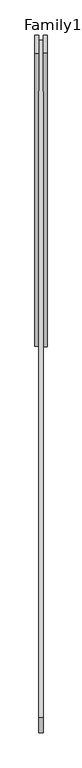
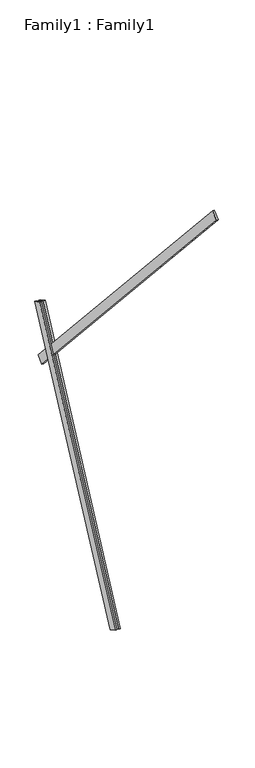
"""IFC4 building model written with IfcOpenShell, lengths in millimetres: proxy geometry, Family1 : Family1."""

from ifc_helpers import new_model, si_unit, frame, origin, place, context, project, spatial, polyline, outline, extrude, source, transform, mapped, element, save


def family1_family1_2a446086(model_context):
    return source(origin(), model_context, "Body", "SweptSolid", [
        extrude(outline(polyline([(0.0, 0.0), (0.0, -20.0), (-100.0000001, -20.0), (-100.0000001, 0.0), (0.0, 0.0)])), frame((-30.0, 46.3241747, -22.5938096), z_axis=(0.0, 0.4383711467890692, 0.8987940462991711), x_axis=(0.0, 0.8987940462991711, -0.4383711467890692)), (0.0, 0.0, 1.0), 3300.0),
        extrude(outline(polyline([(0.0, 0.0), (0.0, -20.0), (-99.9999999, -20.0), (-99.9999999, 0.0), (0.0, 0.0)])), frame((10.0, 45.270232, -22.0797674), z_axis=(0.0, 0.4383711467890692, 0.8987940462991711), x_axis=(0.0, 0.8987940462991711, -0.4383711467890692)), (0.0, 0.0, 1.0), 3300.0),
        extrude(outline(polyline([(0.0, 0.0), (0.0, -99.9999999), (-20.0, -99.9999999), (-20.0, 0.0), (0.0, 0.0)])), frame((10.0, 1466.4982792, 2325.8451642), z_axis=(0.0, -0.6691306063588569, 0.7431448254773956), x_axis=(1.0, 0.0, 0.0)), (0.0, 0.0, 1.0), 5000.0),
    ])


if __name__ == "__main__":
    model = new_model("IFC4")
    model_context = context("Model", 3, world=origin())
    ifc_project = project(units=[si_unit("LENGTHUNIT", "METRE", prefix="MILLI")], contexts=[model_context])
    site = spatial("IfcSite", under=ifc_project)
    building = spatial("IfcBuilding", under=site)
    placement = place(None, origin())
    family1_family1_shape = family1_family1_2a446086(model_context)
    element("IfcBuildingElementProxy", 1, Name="Family1 : Family1", ObjectType="Family1 : Family1", at=placement, inside=building, context=model_context, shape_type="MappedRepresentation", body=[
        mapped(family1_family1_shape, transform((0.0, 0.0, 0.0), x_axis=(1.0, 0.0, 0.0), y_axis=(0.0, 1.0, 0.0), z_axis=(0.0, 0.0, 1.0))),
    ])
    save(model, "model.ifc")
